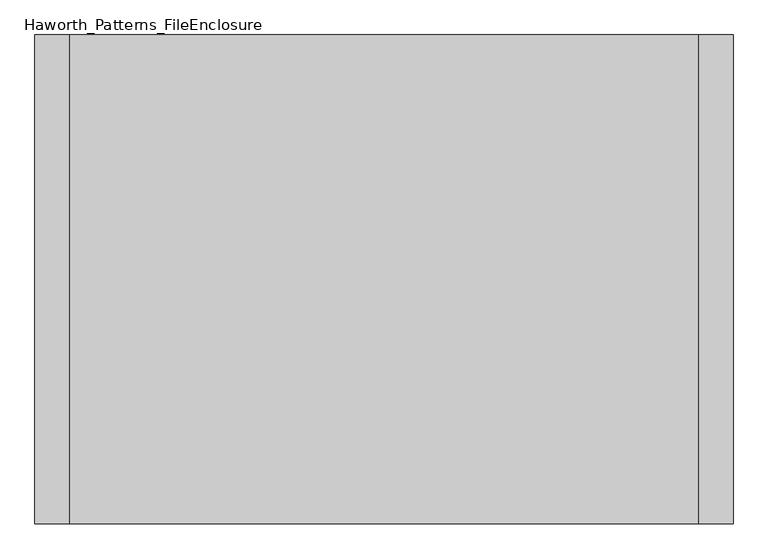
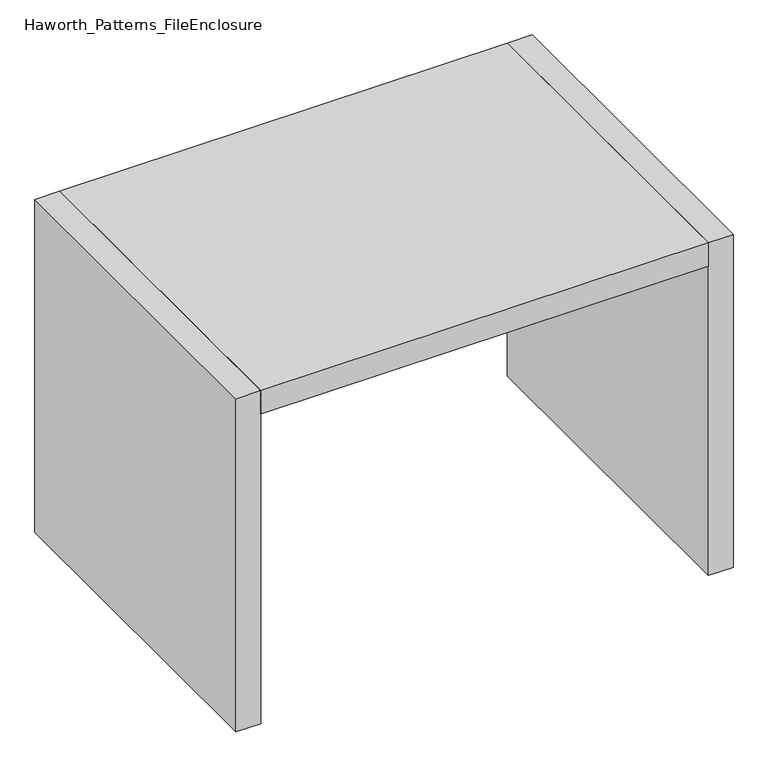
"""IFC4 building model written with IfcOpenShell, lengths in millimetres: furniture geometry, Haworth_Patterns_FileEnclosure."""

from ifc_helpers import new_model, si_unit, frame, origin, origin_with_axes, place, context, project, spatial, polyline, outline, extrude, source, transform, mapped, element, save


def haworth_patterns_fileenclosure_951ecb0e(model_context):
    return source(origin(), model_context, "Body", "SweptSolid", [
        extrude(outline(polyline([(685.8, 0.0), (685.8, -1066.8), (-685.8, -1066.8), (-685.8, 0.0), (685.8, 0.0)])), frame((0.0, 0.0, 1003.3), z_axis=(0.0, 0.0, 1.0), x_axis=(1.0, 0.0, 0.0)), (0.0, 0.0, 1.0), 76.2),
        extrude(outline(polyline([(685.8, 0.0), (762.0, 0.0), (762.0, -1066.8), (685.8, -1066.8), (685.8, 0.0)])), origin_with_axes(), (0.0, 0.0, 1.0), 1079.5),
        extrude(outline(polyline([(-685.8, 0.0), (-685.8, -1066.8), (-762.0, -1066.8), (-762.0, 0.0), (-685.8, 0.0)])), origin_with_axes(), (0.0, 0.0, 1.0), 1079.5),
    ])


if __name__ == "__main__":
    model = new_model("IFC4")
    model_context = context("Model", 3, world=origin())
    ifc_project = project(units=[si_unit("LENGTHUNIT", "METRE", prefix="MILLI")], contexts=[model_context])
    site = spatial("IfcSite", under=ifc_project)
    building = spatial("IfcBuilding", under=site)
    placement = place(None, origin())
    haworth_patterns_fileenclosure_shape = haworth_patterns_fileenclosure_951ecb0e(model_context)
    element("IfcFurniture", 1, ObjectType="Haworth_Patterns_FileEnclosure", at=placement, inside=building, context=model_context, shape_type="MappedRepresentation", body=[
        mapped(haworth_patterns_fileenclosure_shape, transform((0.0, 0.0, 0.0), x_axis=(1.0, 0.0, 0.0), y_axis=(0.0, 1.0, 0.0), z_axis=(0.0, 0.0, 1.0))),
    ])
    save(model, "model.ifc")
